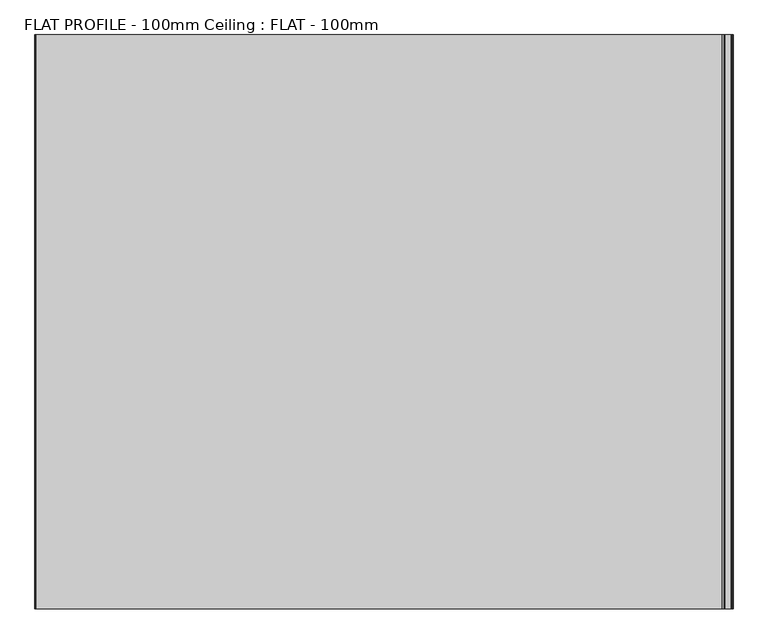
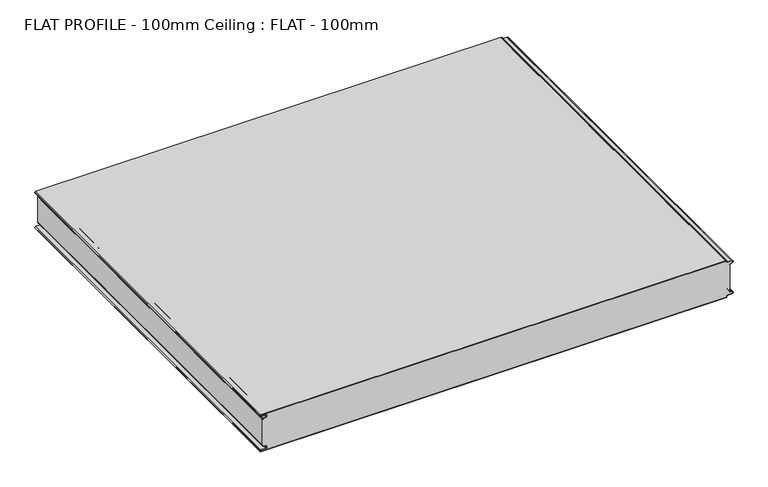
"""IFC4 building model written with IfcOpenShell, lengths in millimetres: proxy geometry, FLAT PROFILE - 100mm Ceiling : FLAT - 100mm."""

from ifc_helpers import new_model, si_unit, point, frame, frame_2d, origin, place, context, project, spatial, polyline, circle_curve, trimmed, segment, composite_curve, outline, extrude, source, transform, mapped, element, save


def flat_profile_100mm_ceiling_flat_100mm_b9acc3e0(model_context):
    return source(origin(), model_context, "Body", "SweptSolid", [
        extrude(outline(composite_curve([segment(polyline([(-591.3794419, 36.112897), (-589.3904999, 36.9138857), (-583.8995097, 38.9124427)]), True, "CONTINUOUS"), segment(trimmed(circle_curve(frame_2d((-585.2882153, 42.3376495)), 3.6960175), [point((-583.8995097, 38.9124427))], [point((-584.9273771, 46.0160107))], True, "CARTESIAN"), True, "CONTINUOUS"), segment(polyline([(-584.9273771, 46.0160107), (-597.3733883, 46.0160107)]), True, "CONTINUOUS"), segment(trimmed(circle_curve(frame_2d((-597.4921978, 47.5112981)), 1.5), [point((-597.3733883, 46.0160107))], [point((-597.3084562, 49.0000019))], False, "CARTESIAN"), True, "CONTINUOUS"), segment(polyline([(-597.3084562, 49.0000019), (596.902372, 49.0000019)]), True, "CONTINUOUS"), segment(trimmed(circle_curve(frame_2d((596.9047345, 47.4926459)), 1.5073578), [point((596.902372, 49.0000019))], [point((598.4115951, 47.4539338))], False, "CARTESIAN"), True, "CONTINUOUS"), segment(trimmed(circle_curve(frame_2d((601.9112919, 47.5000019)), 3.5), [point((598.4115951, 47.4539338))], [point((601.9112919, 44.0000019))], True, "CARTESIAN"), True, "CONTINUOUS"), segment(polyline([(601.9112919, 44.0000019), (612.3116271, 44.0000019)]), True, "CONTINUOUS"), segment(trimmed(circle_curve(frame_2d((612.3116271, 41.9000019)), 2.1), [point((612.3116271, 44.0000019))], [point((613.0435993, 39.9316989))], False, "CARTESIAN"), True, "CONTINUOUS"), segment(polyline([(613.0435993, 39.9316989), (610.7828028, 39.1063002), (607.8546835, 37.9154156)]), True, "CONTINUOUS"), segment(trimmed(circle_curve(frame_2d((608.9399875, 35.2468954)), 2.8807786), [point((607.8546835, 37.9154156))], [point((606.0682599, 35.475074))], True, "CARTESIAN"), True, "CONTINUOUS"), segment(polyline([(606.0682599, 35.475074), (606.0107004, 34.2522233), (607.0118076, 34.2522233), (607.0118076, -34.2522195), (606.0107004, -34.2522195), (606.0682599, -35.4750703)]), True, "CONTINUOUS"), segment(trimmed(circle_curve(frame_2d((608.9399875, -35.2468916)), 2.8807786), [point((606.0682599, -35.4750703))], [point((607.8546835, -37.9154118))], True, "CARTESIAN"), True, "CONTINUOUS"), segment(polyline([(607.8546835, -37.9154118), (610.7828028, -39.1062964), (613.0435993, -39.9316951)]), True, "CONTINUOUS"), segment(trimmed(circle_curve(frame_2d((612.3116271, -41.8999981)), 2.1), [point((613.0435993, -39.9316951))], [point((612.3116271, -43.9999981))], False, "CARTESIAN"), True, "CONTINUOUS"), segment(polyline([(612.3116271, -43.9999981), (601.9112919, -43.9999981)]), True, "CONTINUOUS"), segment(trimmed(circle_curve(frame_2d((601.9112919, -47.4999981)), 3.5), [point((601.9112919, -43.9999981))], [point((598.4115951, -47.45393))], True, "CARTESIAN"), True, "CONTINUOUS"), segment(trimmed(circle_curve(frame_2d((596.9047345, -47.4926422)), 1.5073578), [point((598.4115951, -47.45393))], [point((596.902372, -48.9999981))], False, "CARTESIAN"), True, "CONTINUOUS"), segment(polyline([(596.902372, -48.9999981), (-597.3084562, -48.9999981)]), True, "CONTINUOUS"), segment(trimmed(circle_curve(frame_2d((-597.4921978, -47.5112943)), 1.5), [point((-597.3084562, -48.9999981))], [point((-597.3733883, -46.0160069))], False, "CARTESIAN"), True, "CONTINUOUS"), segment(polyline([(-597.3733883, -46.0160069), (-584.9273771, -46.0160069)]), True, "CONTINUOUS"), segment(trimmed(circle_curve(frame_2d((-585.2882153, -42.3376458)), 3.6960175), [point((-584.9273771, -46.0160069))], [point((-583.8995097, -38.9124389))], True, "CARTESIAN"), True, "CONTINUOUS"), segment(polyline([(-583.8995097, -38.9124389), (-589.3904999, -36.9138819), (-591.3794419, -36.1128932)]), True, "CONTINUOUS"), segment(trimmed(circle_curve(frame_2d((-591.0050311, -35.1831906)), 1.0022625), [point((-591.3794419, -36.1128932))], [point((-591.9881924, -35.3779319))], False, "CARTESIAN"), True, "CONTINUOUS"), segment(polyline([(-591.9881924, -35.3779319), (-591.9881924, -34.2522213), (-592.9881924, -34.2522213), (-592.9881924, 34.2522214), (-591.9881924, 34.2522214), (-591.9881924, 35.3779357)]), True, "CONTINUOUS"), segment(trimmed(circle_curve(frame_2d((-591.0050311, 35.1831944)), 1.0022625), [point((-591.9881924, 35.3779357))], [point((-591.3794419, 36.112897))], False, "CARTESIAN"), True, "CONTINUOUS")], self_intersect=False)), frame((0.0, 1499.9999985, 2499.9999961), z_axis=(0.0, 1.0, 6.810227165389229e-10), x_axis=(1.0, 0.0, 0.0)), (0.0, 0.0, 1.0), 1000.0000017),
        extrude(outline(composite_curve([segment(trimmed(circle_curve(frame_2d((-591.0050311, 35.1831926)), 1.0022625), [point((-591.3794419, 36.1128951))], [point((-591.9881924, 35.3779338))], True, "CARTESIAN"), True, "CONTINUOUS"), segment(polyline([(-591.9881924, 35.3779338), (-591.9881924, 34.2522196), (-592.9881924, 34.2522196), (-592.9881924, 35.4591033)]), True, "CONTINUOUS"), segment(trimmed(circle_curve(frame_2d((-591.0050311, 35.1831926)), 2.0022625), [point((-592.9881924, 35.4591033))], [point((-591.7530074, 37.0404989))], False, "CARTESIAN"), True, "CONTINUOUS"), segment(polyline([(-591.7530074, 37.0404989), (-589.7483949, 37.8477985), (-584.2598383, 39.8454697)]), True, "CONTINUOUS"), segment(trimmed(circle_curve(frame_2d((-585.2882153, 42.3376477)), 2.6960175), [point((-584.2598383, 39.8454697))], [point((-584.9801705, 45.0160089))], True, "CARTESIAN"), True, "CONTINUOUS"), segment(polyline([(-584.9801705, 45.0160089), (-597.3387672, 45.0160089)]), True, "CONTINUOUS"), segment(trimmed(circle_curve(frame_2d((-597.4921978, 47.5112962)), 2.5), [point((-597.3387672, 45.0160089))], [point((-597.2548091, 50.0))], False, "CARTESIAN"), True, "CONTINUOUS"), segment(polyline([(-597.2548091, 50.0), (596.9016875, 50.0)]), True, "CONTINUOUS"), segment(trimmed(circle_curve(frame_2d((596.9047345, 47.4926441)), 2.5073578), [point((596.9016875, 50.0))], [point((599.4117582, 47.4517158))], False, "CARTESIAN"), True, "CONTINUOUS"), segment(trimmed(circle_curve(frame_2d((601.9112919, 47.5)), 2.5), [point((599.4117582, 47.4517158))], [point((601.9112919, 45.0))], True, "CARTESIAN"), True, "CONTINUOUS"), segment(polyline([(601.9112919, 45.0), (612.3116271, 45.0)]), True, "CONTINUOUS"), segment(trimmed(circle_curve(frame_2d((612.3116271, 41.9)), 3.1), [point((612.3116271, 45.0))], [point((613.3890842, 38.9932688))], False, "CARTESIAN"), True, "CONTINUOUS"), segment(polyline([(613.3890842, 38.9932688), (611.1427659, 38.173156), (608.2411829, 37.054925)]), True, "CONTINUOUS"), segment(trimmed(circle_curve(frame_2d((609.0514567, 35.1592648)), 2.0615701), [point((608.2411829, 37.054925))], [point((607.0118076, 35.4591033))], True, "CARTESIAN"), True, "CONTINUOUS"), segment(polyline([(607.0118076, 35.4591033), (607.0118076, 34.2522214), (606.0107004, 34.2522214), (606.0682599, 35.4750722)]), True, "CONTINUOUS"), segment(trimmed(circle_curve(frame_2d((608.9399875, 35.2468935)), 2.8807786), [point((606.0682599, 35.4750722))], [point((607.8546835, 37.9154138))], False, "CARTESIAN"), True, "CONTINUOUS"), segment(polyline([(607.8546835, 37.9154138), (610.7828028, 39.1062983), (613.0435993, 39.931697)]), True, "CONTINUOUS"), segment(trimmed(circle_curve(frame_2d((612.3116271, 41.9)), 2.1), [point((613.0435993, 39.931697))], [point((612.3116271, 44.0))], True, "CARTESIAN"), True, "CONTINUOUS"), segment(polyline([(612.3116271, 44.0), (601.9112919, 44.0)]), True, "CONTINUOUS"), segment(trimmed(circle_curve(frame_2d((601.9112919, 47.5)), 3.5), [point((601.9112919, 44.0))], [point((598.4115951, 47.4539319))], False, "CARTESIAN"), True, "CONTINUOUS"), segment(trimmed(circle_curve(frame_2d((596.9047345, 47.4926441)), 1.5073578), [point((598.4115951, 47.4539319))], [point((596.902372, 49.0))], True, "CARTESIAN"), True, "CONTINUOUS"), segment(polyline([(596.902372, 49.0), (-597.3084562, 49.0)]), True, "CONTINUOUS"), segment(trimmed(circle_curve(frame_2d((-597.4921978, 47.5112962)), 1.5), [point((-597.3084562, 49.0))], [point((-597.3733883, 46.0160089))], True, "CARTESIAN"), True, "CONTINUOUS"), segment(polyline([(-597.3733883, 46.0160089), (-584.9273771, 46.0160089)]), True, "CONTINUOUS"), segment(trimmed(circle_curve(frame_2d((-585.2882153, 42.3376477)), 3.6960175), [point((-584.9273771, 46.0160089))], [point((-583.8995097, 38.9124408))], False, "CARTESIAN"), True, "CONTINUOUS"), segment(polyline([(-583.8995097, 38.9124408), (-589.3904999, 36.9138838), (-591.3794419, 36.1128951)]), True, "CONTINUOUS")], self_intersect=False)), frame((0.0, 1499.9999968, 2500.0000095), z_axis=(0.0, 1.0, 6.810227165389229e-10), x_axis=(1.0, 0.0, 0.0)), (0.0, 0.0, 1.0), 1000.0000017),
        extrude(outline(composite_curve([segment(polyline([(-591.3794419, -36.112895), (-589.3904999, -36.9138837), (-583.8995097, -38.9124407)]), True, "CONTINUOUS"), segment(trimmed(circle_curve(frame_2d((-585.2882153, -42.3376476)), 3.6960175), [point((-583.8995097, -38.9124407))], [point((-584.9273771, -46.0160088))], False, "CARTESIAN"), True, "CONTINUOUS"), segment(polyline([(-584.9273771, -46.0160088), (-597.3733883, -46.0160088)]), True, "CONTINUOUS"), segment(trimmed(circle_curve(frame_2d((-597.4921978, -47.5112962)), 1.5), [point((-597.3733883, -46.0160088))], [point((-597.3084562, -49.0))], True, "CARTESIAN"), True, "CONTINUOUS"), segment(polyline([(-597.3084562, -49.0), (596.902372, -49.0)]), True, "CONTINUOUS"), segment(trimmed(circle_curve(frame_2d((596.9047345, -47.492644)), 1.5073578), [point((596.902372, -49.0))], [point((598.4115951, -47.4539318))], True, "CARTESIAN"), True, "CONTINUOUS"), segment(trimmed(circle_curve(frame_2d((601.9112919, -47.5)), 3.5), [point((598.4115951, -47.4539318))], [point((601.9112919, -44.0))], False, "CARTESIAN"), True, "CONTINUOUS"), segment(polyline([(601.9112919, -44.0), (612.3116271, -44.0)]), True, "CONTINUOUS"), segment(trimmed(circle_curve(frame_2d((612.3116271, -41.9)), 2.1), [point((612.3116271, -44.0))], [point((613.0435993, -39.9316969))], True, "CARTESIAN"), True, "CONTINUOUS"), segment(polyline([(613.0435993, -39.9316969), (610.7828028, -39.1062982), (607.8546835, -37.9154137)]), True, "CONTINUOUS"), segment(trimmed(circle_curve(frame_2d((608.9399875, -35.2468934)), 2.8807786), [point((607.8546835, -37.9154137))], [point((606.0682599, -35.4750721))], False, "CARTESIAN"), True, "CONTINUOUS"), segment(polyline([(606.0682599, -35.4750721), (606.0107004, -34.2522213), (607.0118076, -34.2522213), (607.0118076, -35.4591033)]), True, "CONTINUOUS"), segment(trimmed(circle_curve(frame_2d((609.0514567, -35.1592647)), 2.0615701), [point((607.0118076, -35.4591033))], [point((608.2411829, -37.054925))], True, "CARTESIAN"), True, "CONTINUOUS"), segment(polyline([(608.2411829, -37.054925), (611.1427659, -38.1731559), (613.3890842, -38.9932688)]), True, "CONTINUOUS"), segment(trimmed(circle_curve(frame_2d((612.3116271, -41.9)), 3.1), [point((613.3890842, -38.9932688))], [point((612.3116271, -45.0))], False, "CARTESIAN"), True, "CONTINUOUS"), segment(polyline([(612.3116271, -45.0), (601.9112919, -45.0)]), True, "CONTINUOUS"), segment(trimmed(circle_curve(frame_2d((601.9112919, -47.5)), 2.5), [point((601.9112919, -45.0))], [point((599.4117582, -47.4517157))], True, "CARTESIAN"), True, "CONTINUOUS"), segment(trimmed(circle_curve(frame_2d((596.9047345, -47.492644)), 2.5073578), [point((599.4117582, -47.4517157))], [point((596.9016875, -50.0))], False, "CARTESIAN"), True, "CONTINUOUS"), segment(polyline([(596.9016875, -50.0), (-597.2548091, -50.0)]), True, "CONTINUOUS"), segment(trimmed(circle_curve(frame_2d((-597.4921978, -47.5112962)), 2.5), [point((-597.2548091, -50.0))], [point((-597.3387672, -45.0160088))], False, "CARTESIAN"), True, "CONTINUOUS"), segment(polyline([(-597.3387672, -45.0160088), (-584.9801705, -45.0160088)]), True, "CONTINUOUS"), segment(trimmed(circle_curve(frame_2d((-585.2882153, -42.3376476)), 2.6960175), [point((-584.9801705, -45.0160088))], [point((-584.2598383, -39.8454696))], True, "CARTESIAN"), True, "CONTINUOUS"), segment(polyline([(-584.2598383, -39.8454696), (-589.7483949, -37.8477984), (-591.7530074, -37.0404988)]), True, "CONTINUOUS"), segment(trimmed(circle_curve(frame_2d((-591.0050311, -35.1831925)), 2.0022625), [point((-591.7530074, -37.0404988))], [point((-592.9881924, -35.4591033))], False, "CARTESIAN"), True, "CONTINUOUS"), segment(polyline([(-592.9881924, -35.4591033), (-592.9881924, -34.2522195), (-591.9881924, -34.2522195), (-591.9881924, -35.3779338)]), True, "CONTINUOUS"), segment(trimmed(circle_curve(frame_2d((-591.0050311, -35.1831925)), 1.0022625), [point((-591.9881924, -35.3779338))], [point((-591.3794419, -36.112895))], True, "CARTESIAN"), True, "CONTINUOUS")], self_intersect=False)), frame((0.0, 1499.9999968, 2500.0000095), z_axis=(0.0, 1.0, 6.810227165389229e-10), x_axis=(1.0, 0.0, 0.0)), (0.0, 0.0, 1.0), 1000.0000017),
    ])


if __name__ == "__main__":
    model = new_model("IFC4")
    model_context = context("Model", 3, world=origin())
    ifc_project = project(units=[si_unit("LENGTHUNIT", "METRE", prefix="MILLI")], contexts=[model_context])
    site = spatial("IfcSite", under=ifc_project)
    building = spatial("IfcBuilding", under=site)
    placement = place(None, origin())
    flat_profile_100mm_ceiling_flat_100mm_shape = flat_profile_100mm_ceiling_flat_100mm_b9acc3e0(model_context)
    element("IfcBuildingElementProxy", 1, Name="FLAT PROFILE - 100mm Ceiling : FLAT - 100mm", ObjectType="FLAT PROFILE - 100mm Ceiling : FLAT - 100mm", at=placement, inside=building, context=model_context, shape_type="MappedRepresentation", body=[
        mapped(flat_profile_100mm_ceiling_flat_100mm_shape, transform((0.0, 0.0, 0.0), x_axis=(1.0, 0.0, 0.0), y_axis=(0.0, 1.0, 0.0), z_axis=(0.0, 0.0, 1.0))),
    ])
    save(model, "model.ifc")
